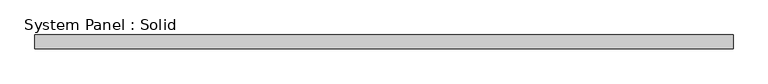
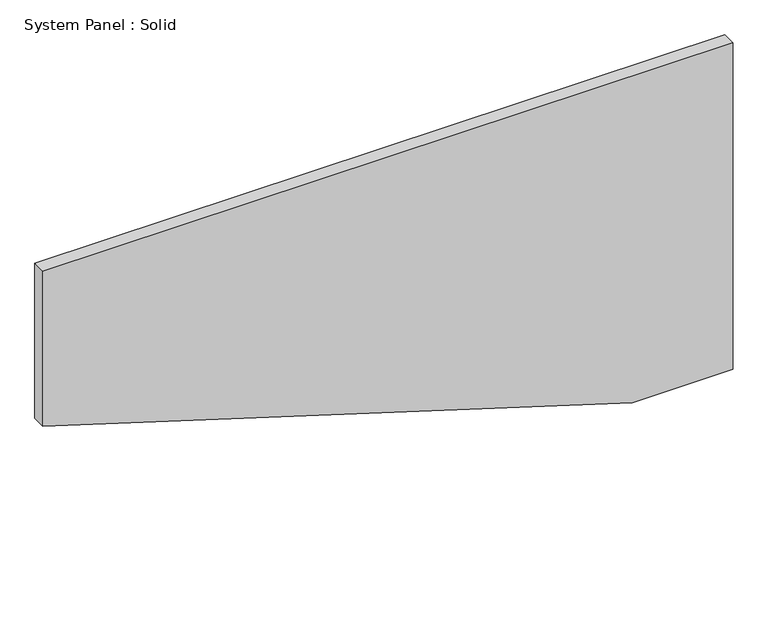
"""IFC4 building model written with IfcOpenShell, lengths in millimetres: plate geometry, System Panel : Solid."""

from ifc_helpers import new_model, si_unit, frame, origin, place, context, project, spatial, polyline, outline, extrude, source, transform, mapped, element, save


def system_panel_solid_b813f30d(model_context):
    return source(origin(), model_context, "Body", "SweptSolid", [
        extrude(outline(polyline([(0.0, 1062.8904936), (0.0, 1500.0), (1500.0, 1500.0), (1500.0, -1500.0), (788.9129351, -1500.0), (0.0, 1062.8904936)])), frame((0.0, -10.5, 0.0), z_axis=(0.0, 1.0, 0.0), x_axis=(0.0, 0.0, 1.0)), (0.0, 0.0, 1.0), 60.0),
    ])


if __name__ == "__main__":
    model = new_model("IFC4")
    model_context = context("Model", 3, world=origin())
    ifc_project = project(units=[si_unit("LENGTHUNIT", "METRE", prefix="MILLI")], contexts=[model_context])
    site = spatial("IfcSite", under=ifc_project)
    building = spatial("IfcBuilding", under=site)
    placement = place(None, origin())
    system_panel_solid_shape = system_panel_solid_b813f30d(model_context)
    element("IfcPlate", 1, ObjectType="System Panel : Solid", at=placement, inside=building, context=model_context, shape_type="MappedRepresentation", body=[
        mapped(system_panel_solid_shape, transform((0.0, 0.0, 0.0), x_axis=(1.0, 0.0, 0.0), y_axis=(0.0, 1.0, 0.0), z_axis=(0.0, 0.0, 1.0))),
    ])
    save(model, "model.ifc")
